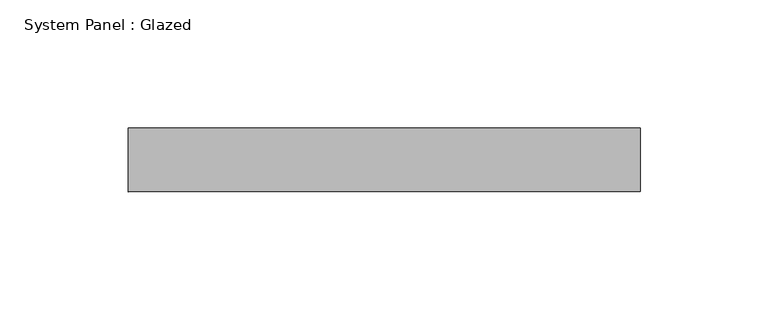
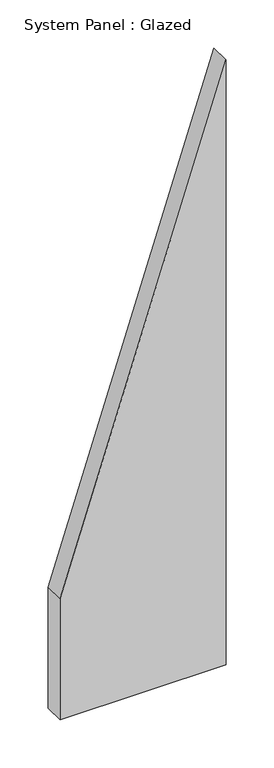
"""IFC4 building model written with IfcOpenShell, lengths in millimetres: plate geometry, System Panel : Glazed."""

from ifc_helpers import new_model, si_unit, frame, origin, place, context, project, spatial, polyline, outline, extrude, source, transform, mapped, element, save


def system_panel_glazed_60b69e2c(model_context):
    return source(origin(), model_context, "Body", "SweptSolid", [
        extrude(outline(polyline([(0.0, -100.0), (0.0, 100.0), (769.2307702, 100.0), (153.8461548, -100.0), (0.0, -100.0)])), frame((0.0, 24.5, 0.0), z_axis=(0.0, 1.0, 0.0), x_axis=(0.0, 0.0, 1.0)), (0.0, 0.0, 1.0), 25.0),
    ])


if __name__ == "__main__":
    model = new_model("IFC4")
    model_context = context("Model", 3, world=origin())
    ifc_project = project(units=[si_unit("LENGTHUNIT", "METRE", prefix="MILLI")], contexts=[model_context])
    site = spatial("IfcSite", under=ifc_project)
    building = spatial("IfcBuilding", under=site)
    placement = place(None, origin())
    system_panel_glazed_shape = system_panel_glazed_60b69e2c(model_context)
    element("IfcPlate", 1, ObjectType="System Panel : Glazed", at=placement, inside=building, context=model_context, shape_type="MappedRepresentation", body=[
        mapped(system_panel_glazed_shape, transform((0.0, 0.0, 0.0), x_axis=(1.0, 0.0, 0.0), y_axis=(0.0, 1.0, 0.0), z_axis=(0.0, 0.0, 1.0))),
    ])
    save(model, "model.ifc")
